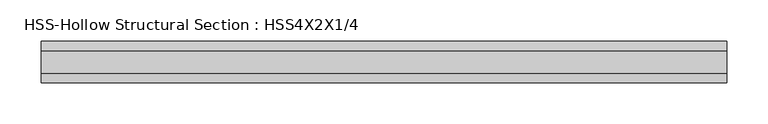
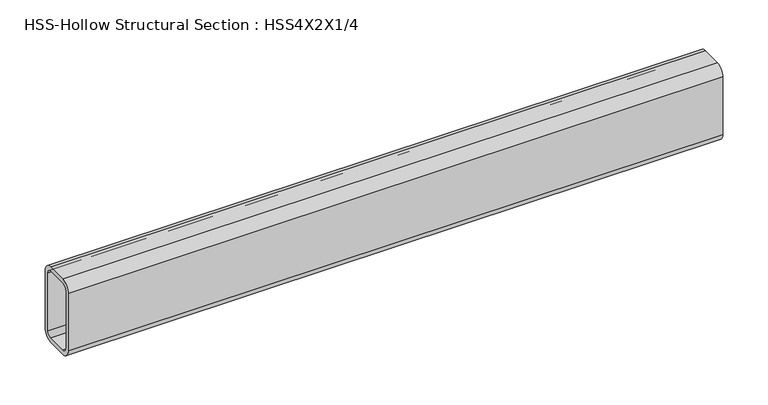
"""IFC4 building model written with IfcOpenShell, lengths in millimetres: beam geometry, HSS-Hollow Structural Section : HSS4X2X1/4."""

from ifc_helpers import new_model, si_unit, point, frame, frame_2d, origin, place, context, project, spatial, polyline, circle_curve, trimmed, segment, composite_curve, outline, extrude, source, transform, mapped, element, save


def hss_hollow_structural_section_hss4x2x1_4_8d5e5373(model_context):
    return source(origin(), model_context, "Body", "SweptSolid", [
        extrude(outline(composite_curve([segment(polyline([(25.4, 38.9636), (25.4, -38.9636)]), True, "CONTINUOUS"), segment(trimmed(circle_curve(frame_2d((13.5636, -38.9636)), 11.8364), [point((25.4, -38.9636))], [point((13.5636, -50.8))], False, "CARTESIAN"), True, "CONTINUOUS"), segment(polyline([(13.5636, -50.8), (-13.5636, -50.8)]), True, "CONTINUOUS"), segment(trimmed(circle_curve(frame_2d((-13.5636, -38.9636)), 11.8364), [point((-13.5636, -50.8))], [point((-25.4, -38.9636))], False, "CARTESIAN"), True, "CONTINUOUS"), segment(polyline([(-25.4, -38.9636), (-25.4, 38.9636)]), True, "CONTINUOUS"), segment(trimmed(circle_curve(frame_2d((-13.5636, 38.9636)), 11.8364), [point((-25.4, 38.9636))], [point((-13.5636, 50.8))], False, "CARTESIAN"), True, "CONTINUOUS"), segment(polyline([(-13.5636, 50.8), (13.5636, 50.8)]), True, "CONTINUOUS"), segment(trimmed(circle_curve(frame_2d((13.5636, 38.9636)), 11.8364), [point((13.5636, 50.8))], [point((25.4, 38.9636))], False, "CARTESIAN"), True, "CONTINUOUS")], self_intersect=False), holes=[composite_curve([segment(trimmed(circle_curve(frame_2d((-13.5636, 38.9636)), 5.9182), [point((-13.5636, 44.8818))], [point((-19.4818, 38.9636))], True, "CARTESIAN"), True, "CONTINUOUS"), segment(polyline([(-19.4818, 38.9636), (-19.4818, -38.9636)]), True, "CONTINUOUS"), segment(trimmed(circle_curve(frame_2d((-13.5636, -38.9636)), 5.9182), [point((-19.4818, -38.9636))], [point((-13.5636, -44.8818))], True, "CARTESIAN"), True, "CONTINUOUS"), segment(polyline([(-13.5636, -44.8818), (13.5636, -44.8818)]), True, "CONTINUOUS"), segment(trimmed(circle_curve(frame_2d((13.5636, -38.9636)), 5.9182), [point((13.5636, -44.8818))], [point((19.4818, -38.9636))], True, "CARTESIAN"), True, "CONTINUOUS"), segment(polyline([(19.4818, -38.9636), (19.4818, 38.9636)]), True, "CONTINUOUS"), segment(trimmed(circle_curve(frame_2d((13.5636, 38.9636)), 5.9182), [point((19.4818, 38.9636))], [point((13.5636, 44.8818))], True, "CARTESIAN"), True, "CONTINUOUS"), segment(polyline([(13.5636, 44.8818), (-13.5636, 44.8818)]), True, "CONTINUOUS")], self_intersect=False)]), frame((-430.3691825, 0.0, 0.0), z_axis=(1.0, 0.0, 0.0), x_axis=(0.0, 1.0, 0.0)), (0.0, 0.0, 1.0), 835.617672),
    ])


if __name__ == "__main__":
    model = new_model("IFC4")
    model_context = context("Model", 3, world=origin())
    ifc_project = project(units=[si_unit("LENGTHUNIT", "METRE", prefix="MILLI")], contexts=[model_context])
    site = spatial("IfcSite", under=ifc_project)
    building = spatial("IfcBuilding", under=site)
    placement = place(None, origin())
    hss_hollow_structural_section_hss4x2x1_4_shape = hss_hollow_structural_section_hss4x2x1_4_8d5e5373(model_context)
    element("IfcBeam", 1, ObjectType="HSS-Hollow Structural Section : HSS4X2X1/4", at=placement, inside=building, context=model_context, shape_type="MappedRepresentation", body=[
        mapped(hss_hollow_structural_section_hss4x2x1_4_shape, transform((0.0, 0.0, 0.0), x_axis=(1.0, 0.0, 0.0), y_axis=(0.0, 1.0, 0.0), z_axis=(0.0, 0.0, 1.0))),
    ])
    save(model, "model.ifc")
